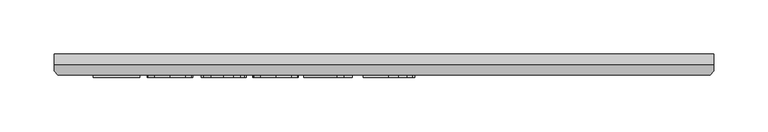
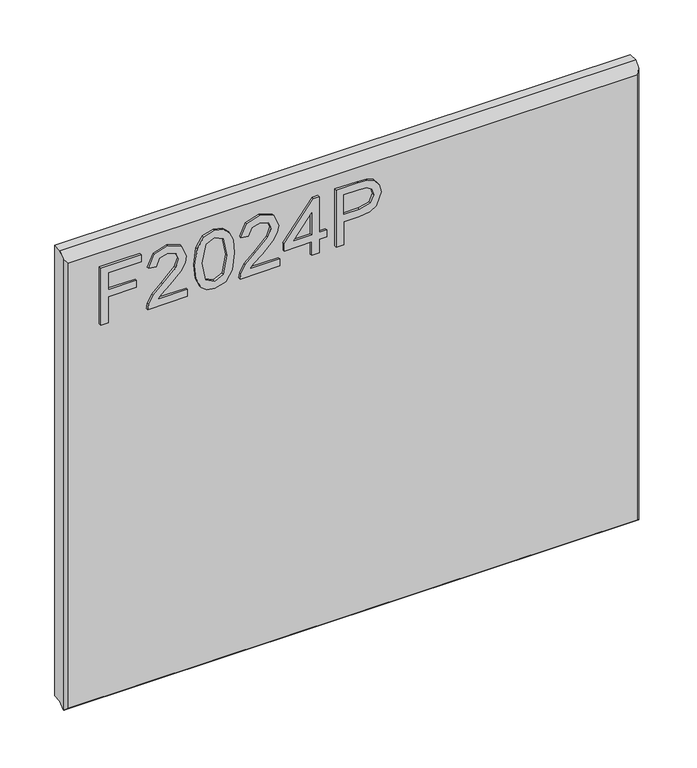
"""IFC4 building model written with IfcOpenShell, lengths in millimetres: furniture geometry."""

from ifc_helpers import new_model, si_unit, frame, origin, place, context, project, spatial, polyline, outline, extrude, faceted_brep, source, transform, mapped, element, save


def furniture_dcfb956d(model_context):
    return source(origin(), model_context, "Body", "SolidModel", [
        extrude(outline(polyline([(1523.7944188, -249.8436441), (1523.7944188, -241.8699245), (1552.6991524, -241.8699245), (1552.6991524, -211.9684759), (1560.672872, -211.9684759), (1560.672872, -241.8699245), (1579.6104561, -241.8699245), (1579.6104561, -206.9849011), (1587.5841757, -206.9849011), (1587.5841757, -249.8436441), (1523.7944188, -249.8436441)])), frame((0.0, -21.9273437, 0.0), z_axis=(0.0, 1.0, 0.0), x_axis=(0.0, 0.0, 1.0)), (0.0, 0.0, 1.0), 2.38125),
        extrude(outline(polyline([(1531.7681384, -158.1458685), (1531.7681384, -189.4645211), (1535.8250797, -185.8670031), (1543.4951127, -176.6941108), (1554.420043, -165.270823), (1562.2380259, -160.5597875), (1569.7990433, -159.1425834), (1582.4760116, -164.3986974), (1587.5841757, -178.671967), (1582.9899427, -192.8985156), (1569.6433066, -199.0111815), (1568.6465916, -191.0374619), (1576.6981796, -187.6813358), (1579.6104561, -178.8432774), (1576.6280981, -170.3634135), (1569.3162595, -167.116303), (1560.2835302, -170.5580844), (1546.9991887, -184.3252096), (1537.7562149, -194.3079328), (1529.2919247, -199.1513445), (1523.7944188, -200.0078965), (1523.7944188, -158.1458685), (1531.7681384, -158.1458685)])), frame((0.0, -21.9273437, 0.0), z_axis=(0.0, 1.0, 0.0), x_axis=(0.0, 0.0, 1.0)), (0.0, 0.0, 1.0), 2.38125),
        extrude(outline(polyline([(1555.1753661, -150.1721488), (1539.6600962, -148.5836344), (1528.8714355, -143.818091), (1524.3161367, -137.5263279), (1522.7977038, -129.2411348), (1526.293993, -117.5686683), (1536.899663, -110.6305978), (1555.1753661, -108.3101208), (1570.1650245, -109.7584723), (1579.6026692, -113.4961533), (1585.5284511, -119.9280795), (1587.5841757, -129.2411348), (1584.111247, -140.8668803), (1573.5289375, -147.8283113), (1555.1753661, -150.1721488)]), holes=[polyline([(1555.1909397, -142.1984292), (1575.3432702, -138.3361588), (1579.6104561, -129.3345769), (1574.7670444, -119.8969322), (1555.1909397, -116.2838405), (1535.4045906, -120.0215215), (1530.7714234, -129.2411348), (1535.3890169, -138.4607482), (1555.1909397, -142.1984292)])]), frame((0.0, -21.9273438, 0.0), z_axis=(0.0, 1.0, 0.0), x_axis=(0.0, 0.0, 1.0)), (0.0, 0.0, 1.0), 2.38125),
        extrude(outline(polyline([(1531.7681384, -60.4678031), (1531.7681384, -91.7864558), (1535.8250797, -88.1889378), (1543.4951127, -79.0160455), (1554.420043, -67.5927577), (1562.2380259, -62.8817222), (1569.7990433, -61.4645181), (1582.4760116, -66.7206321), (1587.5841757, -80.9939017), (1582.9899427, -95.2204503), (1569.6433066, -101.3331162), (1568.6465916, -93.3593966), (1576.6981796, -90.0032704), (1579.6104561, -81.1652121), (1576.6280981, -72.6853481), (1569.3162595, -69.4382377), (1560.2835302, -72.880019), (1546.9991887, -86.6471443), (1537.7562149, -96.6298675), (1529.2919247, -101.4732792), (1523.7944188, -102.3298311), (1523.7944188, -60.4678031), (1531.7681384, -60.4678031)])), frame((0.0, -21.9273437, 0.0), z_axis=(0.0, 1.0, 0.0), x_axis=(0.0, 0.0, 1.0)), (0.0, 0.0, 1.0), 2.38125),
        extrude(outline(polyline([(1523.7944188, -26.5794948), (1523.7944188, -18.6057751), (1538.745143, -18.6057751), (1538.745143, -10.6320555), (1546.7188627, -10.6320555), (1546.7188627, -18.6057751), (1586.5874607, -18.6057751), (1586.5874607, -24.5860649), (1546.7188627, -55.4842284), (1538.745143, -55.4842284), (1538.745143, -26.5794948), (1523.7944188, -26.5794948)]), holes=[polyline([(1546.7188627, -26.5794948), (1546.7188627, -45.6728156), (1571.3564104, -26.5794948), (1546.7188627, -26.5794948)])]), frame((0.0, -21.9273438, 0.0), z_axis=(0.0, 1.0, 0.0), x_axis=(0.0, 0.0, 1.0)), (0.0, 0.0, 1.0), 2.38125),
        extrude(outline(polyline([(1523.7944188, -0.664906), (1523.7944188, 7.3088136), (1549.7090075, 7.3088136), (1549.7090075, 23.5210053), (1551.1184247, 34.8489043), (1555.3466765, 42.0458871), (1569.1293754, 47.1774117), (1577.8272707, 45.2774238), (1583.9944445, 40.2549149), (1586.9768025, 32.5070135), (1587.5841757, 22.9759268), (1587.5841757, -0.664906), (1523.7944188, -0.664906)]), holes=[polyline([(1557.6827271, 7.3088136), (1579.6104561, 7.3088136), (1579.6104561, 23.8013313), (1579.0653776, 31.775051), (1575.4522859, 37.1557543), (1568.8490493, 39.2036921), (1560.6105773, 35.7307634), (1557.6827271, 23.9882154), (1557.6827271, 7.3088136)])]), frame((0.0, -21.9273438, 0.0), z_axis=(0.0, 1.0, 0.0), x_axis=(0.0, 0.0, 1.0)), (0.0, 0.0, 1.0), 2.38125),
        faceted_brep([(323.5377049, 0.0, 1612.6944187), (-286.0622951, 0.0, 1612.6944187), (-286.0622951, -10.0314449, 1612.6944187), (323.5377049, -10.0314449, 1612.6944187), (-286.0622951, 0.0, 1108.167075), (323.5377049, 0.0, 1108.167075), (323.5377049, -10.0314449, 1108.167075), (-286.0622951, -10.0314449, 1108.167075), (-286.0622951, -15.7726273, 1102.4258927), (-286.0622951, -15.7726273, 1606.9532364), (-282.8959807, -19.5460937, 1104.992075), (320.3713906, -19.5460937, 1104.992075), (320.3713906, -19.5460937, 1603.1797699), (-282.8959807, -19.5460937, 1603.1797699), (323.5377049, -15.7726273, 1606.9532364), (323.5377049, -15.7726273, 1102.4258927), (-285.5514364, -16.3814449, 1101.817075), (323.0268462, -16.3814449, 1101.817075)], [[[0, 1, 2, 3]], [[4, 5, 6, 7]], [[1, 4, 7, 8, 9, 2]], [[10, 11, 12, 13]], [[5, 0, 3, 14, 15, 6]], [[1, 0, 5, 4]], [[11, 10, 16, 17]], [[7, 6, 15, 17, 16, 8]], [[3, 2, 9, 13, 12, 14]], [[9, 8, 16, 10, 13]], [[12, 11, 17, 15, 14]]]),
    ])


if __name__ == "__main__":
    model = new_model("IFC4")
    model_context = context("Model", 3, world=origin())
    ifc_project = project(units=[si_unit("LENGTHUNIT", "METRE", prefix="MILLI")], contexts=[model_context])
    site = spatial("IfcSite", under=ifc_project)
    building = spatial("IfcBuilding", under=site)
    placement = place(None, origin())
    furniture_shape = furniture_dcfb956d(model_context)
    element("IfcFurniture", 1, at=placement, inside=building, context=model_context, shape_type="MappedRepresentation", body=[
        mapped(furniture_shape, transform((0.0, 0.0, 0.0), x_axis=(1.0, 0.0, 0.0), y_axis=(0.0, 1.0, 0.0), z_axis=(0.0, 0.0, 1.0))),
    ])
    save(model, "model.ifc")
